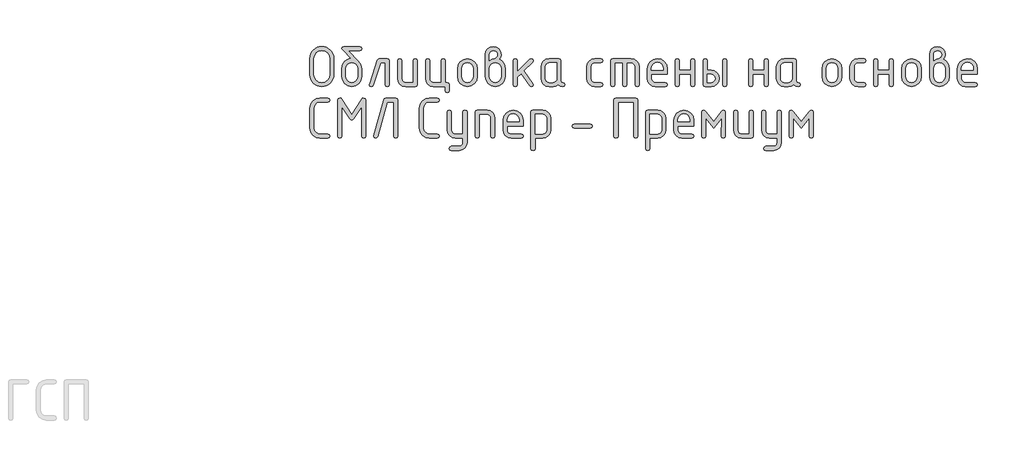
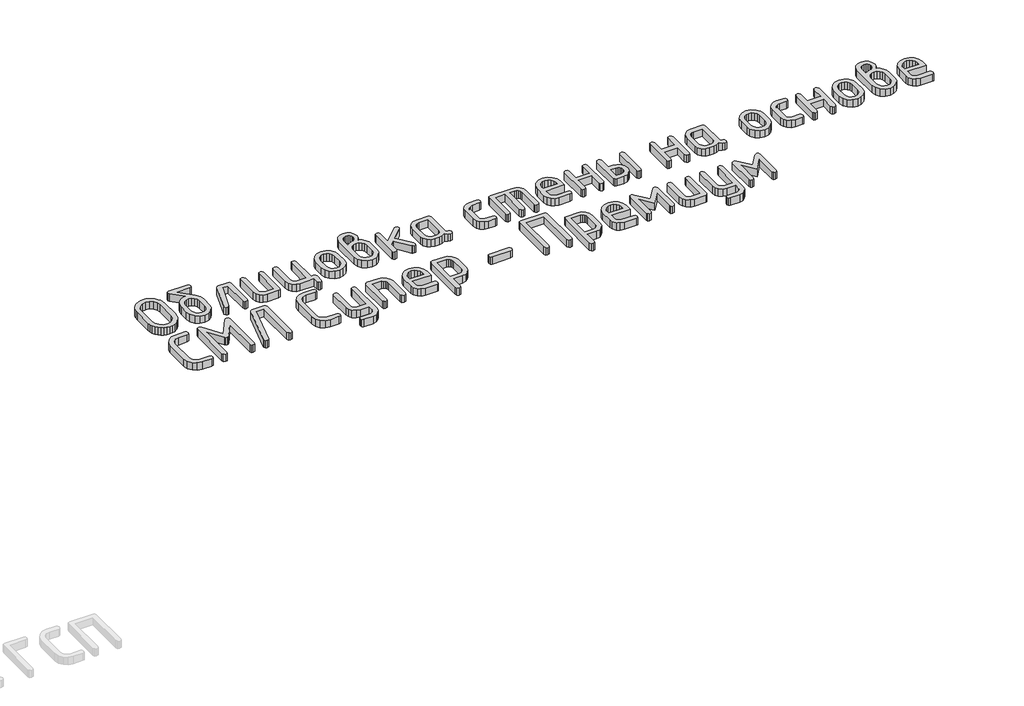
# One storey, part 23 of 33: 1 proxy.
"""IFC4 building model written with IfcOpenShell, lengths in millimetres."""

from ifc_helpers import new_model, si_unit, origin, origin_with_axes, place, context, project, spatial, polyline, outline, extrude, element, save

model = new_model("IFC4")

# Units and contexts
model_context = context("Model", 3, world=origin())
ifc_project = project(units=[si_unit("LENGTHUNIT", "METRE", prefix="MILLI")], contexts=[model_context])

# Site, building, storey
site = spatial("IfcSite", under=ifc_project)
building = spatial("IfcBuilding", under=site)
storey = spatial("IfcBuildingStorey", under=building, Elevation=0.0)

# Proxy
placement = place(None, origin())
element("IfcBuildingElementProxy", 1, Name="Generic Models", at=placement, inside=storey, context=model_context, shape_type="SweptSolid", body=[
    extrude(outline(polyline([(459.1427691, 5302.2857956), (457.4883732, 5284.0521341), (452.5251857, 5267.2004984), (444.2532065, 5251.7308885), (432.6724356, 5237.6433044), (418.7512999, 5225.9213046), (403.4582261, 5217.5484476), (386.7932143, 5212.5247334), (368.7562645, 5210.850162), (350.7193147, 5212.5247334), (334.054303, 5217.5484476), (318.7612292, 5225.9213046), (304.8400935, 5237.6433044), (293.2593226, 5251.7308885), (284.9873434, 5267.2004984), (280.0241558, 5284.0521341), (278.36976, 5302.2857956), (278.36976, 5424.1461722), (280.0241558, 5442.3798337), (284.9873434, 5459.2314694), (293.2593226, 5474.7010793), (304.8400935, 5488.7886634), (318.7612292, 5500.5106632), (334.054303, 5508.8835203), (350.7193147, 5513.9072345), (368.7562645, 5515.5818059), (386.8915702, 5513.9148003), (403.6095428, 5508.9137836), (418.9101824, 5500.5787558), (432.793489, 5488.9097168), (444.321299, 5474.8599619), (452.555449, 5459.3827861), (457.4959391, 5442.4781896), (459.1427691, 5424.1461722), (459.1427691, 5302.2857956)]), holes=[polyline([(428.1531104, 5302.5279023), (428.1531104, 5423.9040655), (423.8456285, 5447.4287674), (410.923183, 5466.9990597), (391.7664896, 5480.1938753), (368.7562645, 5484.5921472), (345.7460394, 5480.1938753), (326.5893461, 5466.9990597), (313.6669006, 5447.4287674), (309.3594187, 5423.9040655), (309.3594187, 5302.5279023), (313.6669006, 5279.0032004), (326.5893461, 5259.4329082), (345.7460394, 5246.2380926), (368.7562645, 5241.8398207), (391.7664896, 5246.2380926), (410.923183, 5259.4329082), (423.8456285, 5279.0032004), (428.1531104, 5302.5279023)])]), origin_with_axes(), (0.0, 0.0, 1.0), 50.0),
    extrude(outline(polyline([(670.9054369, 5347.7211546), (670.9054369, 5286.8716685), (665.4277726, 5257.6473712), (648.9947797, 5233.0836281), (624.7941966, 5216.4085285), (596.0137617, 5210.850162), (567.2333267, 5216.4186163), (543.0327436, 5233.1239792), (526.5997508, 5257.7381612), (521.1220865, 5287.033073), (521.1220865, 5347.9632613), (523.7146458, 5369.3947489), (531.4923238, 5387.7696393), (544.4551205, 5403.0879325), (562.6030359, 5415.3496285), (578.3197964, 5421.9470363), (592.8663745, 5424.1461722), (526.2870296, 5491.1290283), (521.1220865, 5500.0869765), (524.8545649, 5511.7080985), (536.0520002, 5515.5818059), (655.9755232, 5515.5818059), (667.1729584, 5511.7080985), (670.9054369, 5500.0869765), (667.1729584, 5488.4658545), (655.9755232, 5484.5921472), (570.9960684, 5484.5921472), (646.3719571, 5404.2127199), (664.7720669, 5376.9353641), (670.9054369, 5347.7211546)]), holes=[polyline([(639.9157782, 5287.3558819), (639.9157782, 5347.9632613), (636.6977765, 5365.3949443), (627.0437715, 5380.0827513), (612.8502657, 5390.069653), (596.0137617, 5393.3986203), (579.1772576, 5390.069653), (564.9837518, 5380.0827513), (555.3297468, 5365.3949443), (552.1117452, 5347.9632613), (552.1117452, 5287.3558819), (555.2994835, 5269.7627944), (564.8626985, 5255.0749874), (579.0259409, 5245.1486124), (596.0137617, 5241.8398207), (612.8502657, 5245.1687879), (627.0437715, 5255.1556897), (636.6977765, 5269.8636722), (639.9157782, 5287.3558819)])]), origin_with_axes(), (0.0, 0.0, 1.0), 50.0),
    extrude(outline(polyline([(806.243087, 5422.6128298), (867.1732753, 5422.6128298), (878.7943973, 5418.8400002), (882.6681046, 5407.5215116), (882.6681046, 5225.9414802), (878.7943973, 5214.6229915), (867.1732753, 5210.850162), (855.5521533, 5214.6229915), (851.6784459, 5225.9414802), (851.6784459, 5391.6231711), (817.0571866, 5391.6231711), (759.9200034, 5221.099346), (754.6138313, 5213.412458), (745.6357076, 5210.850162), (734.2566923, 5214.6835182), (730.4636872, 5226.1835869), (731.1900073, 5230.7836143), (791.0710665, 5410.2653876), (796.9623298, 5419.5259692), (806.243087, 5422.6128298)])), origin_with_axes(), (0.0, 0.0, 1.0), 50.0),
    extrude(outline(polyline([(1094.4307724, 5407.5215116), (1094.4307724, 5225.9414802), (1090.6781184, 5214.6229915), (1079.4201565, 5210.850162), (1004.5284813, 5210.850162), (981.3064128, 5215.2282583), (961.9984028, 5228.3625472), (948.9851672, 5247.8723128), (944.647422, 5271.3768391), (944.647422, 5407.5215116), (948.5211294, 5418.8400002), (960.1422514, 5422.6128298), (971.7633734, 5418.8400002), (975.6370807, 5407.5215116), (975.6370807, 5271.9417548), (977.7958655, 5260.5123006), (984.27222, 5250.7574178), (993.7547328, 5244.06922), (1004.9319925, 5241.8398207), (1063.4411137, 5241.8398207), (1063.4411137, 5407.5215116), (1067.314821, 5418.8400002), (1078.9359431, 5422.6128298), (1090.5570651, 5418.8400002), (1094.4307724, 5407.5215116)])), origin_with_axes(), (0.0, 0.0, 1.0), 50.0),
    extrude(outline(polyline([(1321.6882695, 5241.8398207), (1333.3093915, 5237.9661133), (1337.1830989, 5226.3449913), (1337.1830989, 5179.8605033), (1333.3093915, 5168.2393813), (1321.6882695, 5164.3656739), (1310.0671475, 5168.2393813), (1306.1934402, 5179.8605033), (1306.1934402, 5210.850162), (1216.2911491, 5210.850162), (1193.0690806, 5215.2585216), (1173.7610706, 5228.4836006), (1160.747835, 5248.0236295), (1156.4100898, 5271.3768391), (1156.4100898, 5407.5215116), (1160.2837971, 5418.8400002), (1171.9049192, 5422.6128298), (1183.5260412, 5418.8400002), (1187.3997485, 5407.5215116), (1187.3997485, 5271.9417548), (1189.5585333, 5260.5123006), (1196.0348878, 5250.7574178), (1205.5174005, 5244.06922), (1216.6946602, 5241.8398207), (1275.2037815, 5241.8398207), (1275.2037815, 5407.5215116), (1279.0774888, 5418.8400002), (1290.6986108, 5422.6128298), (1302.3197328, 5418.8400002), (1306.1934402, 5407.5215116), (1306.1934402, 5241.8398207), (1321.6882695, 5241.8398207)])), origin_with_axes(), (0.0, 0.0, 1.0), 50.0),
    extrude(outline(polyline([(1399.1624163, 5286.4681573), (1399.1624163, 5346.9948344), (1404.6400806, 5376.067815), (1421.0730734, 5400.500417), (1445.2736565, 5417.0847266), (1474.0540915, 5422.6128298), (1503.1371598, 5417.1452533), (1527.2772162, 5400.7425237), (1543.5286291, 5376.3704484), (1548.9457667, 5346.9948344), (1548.9457667, 5286.4681573), (1543.4681024, 5257.3951767), (1527.0351095, 5232.9625747), (1502.8345265, 5216.3782652), (1474.0540915, 5210.850162), (1445.2736565, 5216.3782652), (1421.0730734, 5232.9625747), (1404.6400806, 5257.3951767), (1399.1624163, 5286.4681573)]), holes=[polyline([(1517.956108, 5287.3558819), (1517.956108, 5347.9632613), (1514.7381063, 5365.3949443), (1505.0841013, 5380.0827513), (1490.8905955, 5390.069653), (1474.0540915, 5393.3986203), (1457.2175874, 5390.069653), (1443.0240817, 5380.0827513), (1433.3700766, 5365.3949443), (1430.152075, 5347.9632613), (1430.152075, 5287.3558819), (1433.3398133, 5269.7627944), (1442.9030283, 5255.0749874), (1457.0662708, 5245.1486124), (1474.0540915, 5241.8398207), (1490.8905955, 5245.1687879), (1505.0841013, 5255.1556897), (1514.7381063, 5269.8636722), (1517.956108, 5287.3558819)])]), origin_with_axes(), (0.0, 0.0, 1.0), 50.0),
    extrude(outline(polyline([(1715.7572889, 5417.9321001), (1734.2885399, 5406.542997), (1748.5627479, 5389.9687752), (1757.6720128, 5369.8840062), (1760.7084344, 5347.9632613), (1760.7084344, 5287.033073), (1755.2307702, 5257.5868445), (1738.7977773, 5233.0029258), (1714.5971942, 5216.3883529), (1685.8167592, 5210.850162), (1656.8850076, 5216.4186163), (1632.7146878, 5233.1239792), (1616.372485, 5257.7381612), (1610.9250841, 5287.033073), (1610.9250841, 5454.6516175), (1615.2527415, 5478.2570216), (1628.2357137, 5497.9080161), (1647.4125826, 5511.1633584), (1670.3219299, 5515.5818059), (1693.332155, 5511.1330951), (1712.4888483, 5497.7869628), (1725.4112939, 5478.1057049), (1729.7187757, 5454.6516175), (1726.228404, 5433.9313184), (1715.7572889, 5417.9321001)]), holes=[polyline([(1729.7187757, 5287.3558819), (1729.7187757, 5347.9632613), (1726.5310374, 5365.3949443), (1716.9678224, 5380.0827513), (1702.80458, 5390.069653), (1685.8167592, 5393.3986203), (1668.8289385, 5390.069653), (1654.6656961, 5380.0827513), (1645.1024811, 5365.3949443), (1641.9147428, 5347.9632613), (1641.9147428, 5287.3558819), (1645.1024811, 5269.7627944), (1654.6656961, 5255.0749874), (1668.8289385, 5245.1486124), (1685.8167592, 5241.8398207), (1702.80458, 5245.1687879), (1716.9678224, 5255.1556897), (1726.5310374, 5269.8636722), (1729.7187757, 5287.3558819)]), polyline([(1641.9147428, 5407.8443205), (1660.3955548, 5419.1628092), (1677.2623222, 5422.9356387), (1686.3413238, 5425.5786369), (1694.6940052, 5433.5076316), (1700.5650929, 5443.37348), (1702.5221221, 5453.2796795), (1700.3431618, 5465.0823816), (1693.8062806, 5474.8271766), (1684.04131, 5481.3640577), (1672.1780813, 5483.5430181), (1660.526696, 5481.3337944), (1650.7516376, 5474.7061232), (1644.1239665, 5464.9310649), (1641.9147428, 5453.2796795), (1641.9147428, 5407.8443205)])]), origin_with_axes(), (0.0, 0.0, 1.0), 50.0),
    extrude(outline(polyline([(1853.6774105, 5323.1876748), (1948.9060492, 5418.254909), (1959.7201489, 5422.6128298), (1971.0991642, 5418.8400002), (1974.8921693, 5407.5215116), (1970.2921418, 5396.9495186), (1903.712797, 5330.450876), (1971.9061866, 5234.6573217), (1974.8921693, 5225.7800757), (1971.0991642, 5214.5826404), (1959.7201489, 5210.850162), (1952.578001, 5212.4642067), (1947.1306, 5217.3063409), (1881.9231932, 5308.903379), (1853.6774105, 5280.6575963), (1853.6774105, 5226.0221824), (1849.8037032, 5214.6431671), (1838.1825812, 5210.850162), (1826.5614592, 5214.6229915), (1822.6877518, 5225.9414802), (1822.6877518, 5407.5215116), (1826.5614592, 5418.8400002), (1838.1825812, 5422.6128298), (1849.8037032, 5418.8400002), (1853.6774105, 5407.5215116), (1853.6774105, 5323.1876748)])), origin_with_axes(), (0.0, 0.0, 1.0), 50.0),
    extrude(outline(polyline([(2214.4971086, 5225.9414802), (2210.724279, 5214.6229915), (2199.4057904, 5210.850162), (2180.2591849, 5214.8650982), (2164.9459355, 5226.909907), (2146.5256501, 5214.8650982), (2124.3527107, 5210.850162), (2094.3314789, 5210.850162), (2071.1094104, 5215.2282583), (2051.8014004, 5228.3625472), (2038.7881648, 5247.8723128), (2034.4504196, 5271.3768391), (2034.4504196, 5362.0861526), (2038.7881648, 5385.5906789), (2051.8014004, 5405.1004445), (2071.1094104, 5418.2347334), (2094.3314789, 5422.6128298), (2169.2231541, 5422.6128298), (2180.481116, 5418.8400002), (2184.23377, 5407.5215116), (2184.23377, 5256.2048187), (2188.0166873, 5244.8863301), (2199.3654393, 5241.1135006), (2210.7141912, 5237.3204955), (2214.4971086, 5225.9414802)]), holes=[polyline([(2153.2441113, 5391.6231711), (2094.73499, 5391.6231711), (2083.4568525, 5389.4341229), (2073.9945153, 5382.8669784), (2067.5786876, 5373.1927979), (2065.4400783, 5361.6826414), (2065.4400783, 5271.7803503), (2067.5988631, 5260.3710717), (2074.0752176, 5250.6767155), (2083.5577303, 5244.0490444), (2094.73499, 5241.8398207), (2123.9491996, 5241.8398207), (2135.2273371, 5244.0288688), (2144.6896743, 5250.5960133), (2151.105502, 5260.2701939), (2153.2441113, 5271.7803503), (2153.2441113, 5391.6231711)])]), origin_with_axes(), (0.0, 0.0, 1.0), 50.0),
    extrude(outline(polyline([(2411.4912671, 5361.6826414), (2411.4912671, 5271.7803503), (2413.7307542, 5260.3710717), (2420.4492153, 5250.6767155), (2430.254537, 5244.0490444), (2441.7546057, 5241.8398207), (2487.2706669, 5241.8398207), (2498.5891555, 5237.9661133), (2502.3619851, 5226.3449913), (2498.5891555, 5214.7238693), (2487.2706669, 5210.850162), (2441.7546057, 5210.850162), (2418.2097283, 5215.2282583), (2398.4175049, 5228.3625472), (2384.9805825, 5247.8723128), (2380.5016084, 5271.3768391), (2380.5016084, 5362.0861526), (2384.9805825, 5385.5906789), (2398.4175049, 5405.1004445), (2418.2097283, 5418.2347334), (2441.7546057, 5422.6128298), (2487.2706669, 5422.6128298), (2498.5891555, 5418.7391224), (2502.3619851, 5407.1180004), (2498.5891555, 5395.4968784), (2487.2706669, 5391.6231711), (2441.7546057, 5391.6231711), (2430.1032203, 5389.4341229), (2420.328162, 5382.8669784), (2413.7004908, 5373.1927979), (2411.4912671, 5361.6826414)])), origin_with_axes(), (0.0, 0.0, 1.0), 50.0),
    extrude(outline(polyline([(2576.7694468, 5422.6128298), (2716.222911, 5422.6128298), (2740.1107729, 5418.2044701), (2760.1249275, 5404.9793911), (2773.6829032, 5385.4393622), (2778.2022284, 5362.0861526), (2778.2022284, 5225.9414802), (2774.328521, 5214.6229915), (2762.707399, 5210.850162), (2751.086277, 5214.6229915), (2747.2125697, 5225.9414802), (2747.2125697, 5361.521237), (2744.9831704, 5373.2533245), (2738.2949726, 5382.9476807), (2728.3181586, 5389.4542985), (2716.222911, 5391.6231711), (2685.2332523, 5391.6231711), (2685.2332523, 5225.9414802), (2681.359545, 5214.6229915), (2669.7384229, 5210.850162), (2658.1173009, 5214.6229915), (2654.2435936, 5225.9414802), (2654.2435936, 5391.6231711), (2592.2642762, 5391.6231711), (2592.2642762, 5225.9414802), (2588.3905689, 5214.6229915), (2576.7694468, 5210.850162), (2565.1483248, 5214.6229915), (2561.2746175, 5225.9414802), (2561.2746175, 5407.5215116), (2565.1483248, 5418.8400002), (2576.7694468, 5422.6128298)])), origin_with_axes(), (0.0, 0.0, 1.0), 50.0),
    extrude(outline(polyline([(2871.1712045, 5303.8191381), (2871.1712045, 5272.8294794), (2873.4106915, 5261.0368651), (2880.1291527, 5250.9995245), (2889.9344744, 5244.1297466), (2901.4345431, 5241.8398207), (2977.2139428, 5241.8398207), (2988.5929581, 5237.9661133), (2992.3859632, 5226.3449913), (2988.5929581, 5214.7238693), (2977.2139428, 5210.850162), (2901.4345431, 5210.850162), (2877.8896656, 5215.2282583), (2858.0974422, 5228.3625472), (2844.6605199, 5247.8723128), (2840.1815458, 5271.3768391), (2840.1815458, 5346.9948344), (2845.800439, 5376.067815), (2862.6571186, 5400.500417), (2887.3822662, 5417.0847266), (2916.6065635, 5422.6128298), (2946.0527919, 5417.2461311), (2970.4753061, 5401.1460349), (2986.908299, 5377.2178219), (2992.3859632, 5348.3667725), (2992.3859632, 5303.8191381), (2871.1712045, 5303.8191381)]), holes=[polyline([(2916.6065635, 5395.4161762), (2899.1748804, 5392.0872089), (2884.4870735, 5382.1003072), (2874.5001717, 5367.4125002), (2871.1712045, 5349.9808172), (2871.1712045, 5334.8087968), (2962.0419224, 5334.8087968), (2962.0419224, 5349.9808172), (2958.7129552, 5367.4125002), (2948.7260535, 5382.1003072), (2934.0382465, 5392.0872089), (2916.6065635, 5395.4161762)])]), origin_with_axes(), (0.0, 0.0, 1.0), 50.0),
    extrude(outline(polyline([(3082.9338723, 5303.8191381), (3082.9338723, 5226.3449913), (3079.0601649, 5214.7238693), (3067.4390429, 5210.850162), (3055.8179209, 5214.6229915), (3051.9442136, 5225.9414802), (3051.9442136, 5407.5215116), (3055.8179209, 5418.8400002), (3067.4390429, 5422.6128298), (3079.0601649, 5418.9610536), (3082.9338723, 5408.005725), (3082.9338723, 5334.8087968), (3170.7379052, 5334.8087968), (3170.7379052, 5408.005725), (3174.6116126, 5418.9610536), (3186.2327346, 5422.6128298), (3197.8538566, 5418.8400002), (3201.7275639, 5407.5215116), (3201.7275639, 5225.9414802), (3197.8538566, 5214.6229915), (3186.2327346, 5210.850162), (3174.6116126, 5214.7238693), (3170.7379052, 5226.3449913), (3170.7379052, 5303.8191381), (3082.9338723, 5303.8191381)])), origin_with_axes(), (0.0, 0.0, 1.0), 50.0),
    extrude(outline(polyline([(3413.4902317, 5407.5215116), (3417.3639391, 5418.8400002), (3428.9850611, 5422.6128298), (3440.6061831, 5418.8400002), (3444.4798904, 5407.5215116), (3444.4798904, 5225.9414802), (3440.6061831, 5214.6229915), (3428.9850611, 5210.850162), (3417.3639391, 5214.6229915), (3413.4902317, 5225.9414802), (3413.4902317, 5407.5215116)])), origin_with_axes(), (0.0, 0.0, 1.0), 50.0),
    extrude(outline(polyline([(3385.567258, 5272.8294794), (3381.1790739, 5248.7903008), (3368.0145216, 5228.8064095), (3348.4744927, 5215.3392239), (3324.9598786, 5210.850162), (3279.2017107, 5210.850162), (3267.5805887, 5214.6229915), (3263.7068813, 5225.9414802), (3263.7068813, 5407.5215116), (3267.5805887, 5418.8400002), (3279.2017107, 5422.6128298), (3290.8228327, 5418.9610536), (3294.69654, 5408.005725), (3294.69654, 5334.8087968), (3324.9598786, 5334.8087968), (3348.4744927, 5330.3197349), (3368.0145216, 5316.8525492), (3381.1790739, 5296.868658), (3385.567258, 5272.8294794)]), holes=[polyline([(3355.3039194, 5272.8294794), (3353.124959, 5284.924727), (3346.5880779, 5294.901541), (3336.8231073, 5301.5897388), (3324.9598786, 5303.8191381), (3294.69654, 5303.8191381), (3294.69654, 5241.8398207), (3324.9598786, 5241.8398207), (3336.6717906, 5244.0994833), (3346.4670246, 5250.8784711), (3353.0946957, 5260.8855484), (3355.3039194, 5272.8294794)])]), origin_with_axes(), (0.0, 0.0, 1.0), 50.0),
    extrude(outline(polyline([(3640.7477288, 5303.8191381), (3640.7477288, 5226.3449913), (3636.8740215, 5214.7238693), (3625.2528995, 5210.850162), (3613.6317775, 5214.6229915), (3609.7580701, 5225.9414802), (3609.7580701, 5407.5215116), (3613.6317775, 5418.8400002), (3625.2528995, 5422.6128298), (3636.8740215, 5418.9610536), (3640.7477288, 5408.005725), (3640.7477288, 5334.8087968), (3728.5517618, 5334.8087968), (3728.5517618, 5408.005725), (3732.4254692, 5418.9610536), (3744.0465912, 5422.6128298), (3755.6677132, 5418.8400002), (3759.5414205, 5407.5215116), (3759.5414205, 5225.9414802), (3755.6677132, 5214.6229915), (3744.0465912, 5210.850162), (3732.4254692, 5214.7238693), (3728.5517618, 5226.3449913), (3728.5517618, 5303.8191381), (3640.7477288, 5303.8191381)])), origin_with_axes(), (0.0, 0.0, 1.0), 50.0),
    extrude(outline(polyline([(4001.5674269, 5225.9414802), (3997.7945973, 5214.6229915), (3986.4761087, 5210.850162), (3967.3295032, 5214.8650982), (3952.0162538, 5226.909907), (3933.5959684, 5214.8650982), (3911.423029, 5210.850162), (3881.4017972, 5210.850162), (3858.1797287, 5215.2282583), (3838.8717187, 5228.3625472), (3825.8584831, 5247.8723128), (3821.5207379, 5271.3768391), (3821.5207379, 5362.0861526), (3825.8584831, 5385.5906789), (3838.8717187, 5405.1004445), (3858.1797287, 5418.2347334), (3881.4017972, 5422.6128298), (3956.2934724, 5422.6128298), (3967.5514343, 5418.8400002), (3971.3040883, 5407.5215116), (3971.3040883, 5256.2048187), (3975.0870056, 5244.8863301), (3986.4357576, 5241.1135006), (3997.7845095, 5237.3204955), (4001.5674269, 5225.9414802)]), holes=[polyline([(3940.3144296, 5391.6231711), (3881.8053084, 5391.6231711), (3870.5271708, 5389.4341229), (3861.0648337, 5382.8669784), (3854.6490059, 5373.1927979), (3852.5103966, 5361.6826414), (3852.5103966, 5271.7803503), (3854.6691814, 5260.3710717), (3861.1455359, 5250.6767155), (3870.6280486, 5244.0490444), (3881.8053084, 5241.8398207), (3911.0195179, 5241.8398207), (3922.2976554, 5244.0288688), (3931.7599926, 5250.5960133), (3938.1758203, 5260.2701939), (3940.3144296, 5271.7803503), (3940.3144296, 5391.6231711)])]), origin_with_axes(), (0.0, 0.0, 1.0), 50.0),
    extrude(outline(polyline([(4167.5719267, 5286.4681573), (4167.5719267, 5346.9948344), (4173.049591, 5376.067815), (4189.4825839, 5400.500417), (4213.6831669, 5417.0847266), (4242.4636019, 5422.6128298), (4271.5466703, 5417.1452533), (4295.6867267, 5400.7425237), (4311.9381395, 5376.3704484), (4317.3552771, 5346.9948344), (4317.3552771, 5286.4681573), (4311.8776128, 5257.3951767), (4295.44462, 5232.9625747), (4271.2440369, 5216.3782652), (4242.4636019, 5210.850162), (4213.6831669, 5216.3782652), (4189.4825839, 5232.9625747), (4173.049591, 5257.3951767), (4167.5719267, 5286.4681573)]), holes=[polyline([(4286.3656184, 5287.3558819), (4286.3656184, 5347.9632613), (4283.1476167, 5365.3949443), (4273.4936117, 5380.0827513), (4259.3001059, 5390.069653), (4242.4636019, 5393.3986203), (4225.6270979, 5390.069653), (4211.4335921, 5380.0827513), (4201.7795871, 5365.3949443), (4198.5615854, 5347.9632613), (4198.5615854, 5287.3558819), (4201.7493238, 5269.7627944), (4211.3125387, 5255.0749874), (4225.4757812, 5245.1486124), (4242.4636019, 5241.8398207), (4259.3001059, 5245.1687879), (4273.4936117, 5255.1556897), (4283.1476167, 5269.8636722), (4286.3656184, 5287.3558819)])]), origin_with_axes(), (0.0, 0.0, 1.0), 50.0),
    extrude(outline(polyline([(4410.3242532, 5361.6826414), (4410.3242532, 5271.7803503), (4412.5637403, 5260.3710717), (4419.2822014, 5250.6767155), (4429.0875231, 5244.0490444), (4440.5875918, 5241.8398207), (4486.103653, 5241.8398207), (4497.4221416, 5237.9661133), (4501.1949712, 5226.3449913), (4497.4221416, 5214.7238693), (4486.103653, 5210.850162), (4440.5875918, 5210.850162), (4417.0427144, 5215.2282583), (4397.2504909, 5228.3625472), (4383.8135686, 5247.8723128), (4379.3345945, 5271.3768391), (4379.3345945, 5362.0861526), (4383.8135686, 5385.5906789), (4397.2504909, 5405.1004445), (4417.0427144, 5418.2347334), (4440.5875918, 5422.6128298), (4486.103653, 5422.6128298), (4497.4221416, 5418.7391224), (4501.1949712, 5407.1180004), (4497.4221416, 5395.4968784), (4486.103653, 5391.6231711), (4440.5875918, 5391.6231711), (4428.9362064, 5389.4341229), (4419.1611481, 5382.8669784), (4412.5334769, 5373.1927979), (4410.3242532, 5361.6826414)])), origin_with_axes(), (0.0, 0.0, 1.0), 50.0),
    extrude(outline(polyline([(4591.0972623, 5303.8191381), (4591.0972623, 5226.3449913), (4587.2235549, 5214.7238693), (4575.6024329, 5210.850162), (4563.9813109, 5214.6229915), (4560.1076036, 5225.9414802), (4560.1076036, 5407.5215116), (4563.9813109, 5418.8400002), (4575.6024329, 5422.6128298), (4587.2235549, 5418.9610536), (4591.0972623, 5408.005725), (4591.0972623, 5334.8087968), (4678.9012953, 5334.8087968), (4678.9012953, 5408.005725), (4682.7750026, 5418.9610536), (4694.3961246, 5422.6128298), (4706.0172466, 5418.8400002), (4709.890954, 5407.5215116), (4709.890954, 5225.9414802), (4706.0172466, 5214.6229915), (4694.3961246, 5210.850162), (4682.7750026, 5214.7238693), (4678.9012953, 5226.3449913), (4678.9012953, 5303.8191381), (4591.0972623, 5303.8191381)])), origin_with_axes(), (0.0, 0.0, 1.0), 50.0),
    extrude(outline(polyline([(4771.8702714, 5286.4681573), (4771.8702714, 5346.9948344), (4777.3479356, 5376.067815), (4793.7809285, 5400.500417), (4817.9815116, 5417.0847266), (4846.7619465, 5422.6128298), (4875.8450149, 5417.1452533), (4899.9850713, 5400.7425237), (4916.2364841, 5376.3704484), (4921.6536217, 5346.9948344), (4921.6536217, 5286.4681573), (4916.1759575, 5257.3951767), (4899.7429646, 5232.9625747), (4875.5423815, 5216.3782652), (4846.7619465, 5210.850162), (4817.9815116, 5216.3782652), (4793.7809285, 5232.9625747), (4777.3479356, 5257.3951767), (4771.8702714, 5286.4681573)]), holes=[polyline([(4890.663963, 5287.3558819), (4890.663963, 5347.9632613), (4887.4459614, 5365.3949443), (4877.7919564, 5380.0827513), (4863.5984506, 5390.069653), (4846.7619465, 5393.3986203), (4829.9254425, 5390.069653), (4815.7319367, 5380.0827513), (4806.0779317, 5365.3949443), (4802.8599301, 5347.9632613), (4802.8599301, 5287.3558819), (4806.0476684, 5269.7627944), (4815.6108834, 5255.0749874), (4829.7741258, 5245.1486124), (4846.7619465, 5241.8398207), (4863.5984506, 5245.1687879), (4877.7919564, 5255.1556897), (4887.4459614, 5269.8636722), (4890.663963, 5287.3558819)])]), origin_with_axes(), (0.0, 0.0, 1.0), 50.0),
    extrude(outline(polyline([(5088.4651439, 5417.9321001), (5106.9963949, 5406.542997), (5121.270603, 5389.9687752), (5130.3798679, 5369.8840062), (5133.4162895, 5347.9632613), (5133.4162895, 5287.033073), (5127.9386252, 5257.5868445), (5111.5056324, 5233.0029258), (5087.3050493, 5216.3883529), (5058.5246143, 5210.850162), (5029.5928626, 5216.4186163), (5005.4225429, 5233.1239792), (4989.0803401, 5257.7381612), (4983.6329391, 5287.033073), (4983.6329391, 5454.6516175), (4987.9605965, 5478.2570216), (5000.9435688, 5497.9080161), (5020.1204377, 5511.1633584), (5043.029785, 5515.5818059), (5066.0400101, 5511.1330951), (5085.1967034, 5497.7869628), (5098.119149, 5478.1057049), (5102.4266308, 5454.6516175), (5098.9362591, 5433.9313184), (5088.4651439, 5417.9321001)]), holes=[polyline([(5014.6225978, 5407.8443205), (5033.1034099, 5419.1628092), (5049.9701773, 5422.9356387), (5059.0491789, 5425.5786369), (5067.4018603, 5433.5076316), (5073.272948, 5443.37348), (5075.2299772, 5453.2796795), (5073.0510168, 5465.0823816), (5066.5141357, 5474.8271766), (5056.7491651, 5481.3640577), (5044.8859364, 5483.5430181), (5033.2345511, 5481.3337944), (5023.4594927, 5474.7061232), (5016.8318215, 5464.9310649), (5014.6225978, 5453.2796795), (5014.6225978, 5407.8443205)]), polyline([(5102.4266308, 5287.3558819), (5102.4266308, 5347.9632613), (5099.2388925, 5365.3949443), (5089.6756775, 5380.0827513), (5075.512435, 5390.069653), (5058.5246143, 5393.3986203), (5041.5367936, 5390.069653), (5027.3735511, 5380.0827513), (5017.8103362, 5365.3949443), (5014.6225978, 5347.9632613), (5014.6225978, 5287.3558819), (5017.8103362, 5269.7627944), (5027.3735511, 5255.0749874), (5041.5367936, 5245.1486124), (5058.5246143, 5241.8398207), (5075.512435, 5245.1687879), (5089.6756775, 5255.1556897), (5099.2388925, 5269.8636722), (5102.4266308, 5287.3558819)])]), origin_with_axes(), (0.0, 0.0, 1.0), 50.0),
    extrude(outline(polyline([(5226.3852656, 5303.8191381), (5226.3852656, 5272.8294794), (5228.6247527, 5261.0368651), (5235.3432138, 5250.9995245), (5245.1485355, 5244.1297466), (5256.6486042, 5241.8398207), (5332.428004, 5241.8398207), (5343.8070193, 5237.9661133), (5347.6000244, 5226.3449913), (5343.8070193, 5214.7238693), (5332.428004, 5210.850162), (5256.6486042, 5210.850162), (5233.1037268, 5215.2282583), (5213.3115033, 5228.3625472), (5199.874581, 5247.8723128), (5195.3956069, 5271.3768391), (5195.3956069, 5346.9948344), (5201.0145001, 5376.067815), (5217.8711797, 5400.500417), (5242.5963273, 5417.0847266), (5271.8206246, 5422.6128298), (5301.266853, 5417.2461311), (5325.6893672, 5401.1460349), (5342.1223601, 5377.2178219), (5347.6000244, 5348.3667725), (5347.6000244, 5303.8191381), (5226.3852656, 5303.8191381)]), holes=[polyline([(5271.8206246, 5395.4161762), (5254.3889416, 5392.0872089), (5239.7011346, 5382.1003072), (5229.7142328, 5367.4125002), (5226.3852656, 5349.9808172), (5226.3852656, 5334.8087968), (5317.2559836, 5334.8087968), (5317.2559836, 5349.9808172), (5313.9270163, 5367.4125002), (5303.9401146, 5382.1003072), (5289.2523076, 5392.0872089), (5271.8206246, 5395.4161762)])]), origin_with_axes(), (0.0, 0.0, 1.0), 50.0),
    extrude(outline(polyline([(415.4021571, 5123.5333147), (426.7811724, 5119.6596073), (430.5741775, 5108.0384853), (426.7811724, 5096.4173633), (415.4021571, 5092.543656), (354.7947777, 5092.543656), (331.9156937, 5086.914675), (315.5734909, 5070.0277321), (310.9129367, 5058.9917013), (309.3594187, 5047.0275948), (309.3594187, 4895.3073907), (312.6883859, 4877.815181), (322.6752877, 4863.1071985), (337.3630947, 4853.1202967), (354.7947777, 4849.7913295), (415.4021571, 4849.7913295), (426.7811724, 4845.9176222), (430.5741775, 4834.2965001), (426.7811724, 4822.6753781), (415.4021571, 4818.8016708), (354.7947777, 4818.8016708), (325.5704804, 4824.3701251), (300.8453328, 4841.075488), (283.9886532, 4865.68967), (278.36976, 4894.9845818), (278.36976, 5047.3504037), (283.9886532, 5076.6453154), (300.8453328, 5101.2594975), (325.5704804, 5117.9648604), (354.7947777, 5123.5333147), (415.4021571, 5123.5333147)])), origin_with_axes(), (0.0, 0.0, 1.0), 50.0),
    extrude(outline(polyline([(685.1090304, 5123.5333147), (697.6985793, 5119.720134), (701.8950956, 5108.280592), (701.8950956, 4834.0543934), (698.0213882, 4822.6148515), (686.4002662, 4818.8016708), (674.7791442, 4822.6148515), (670.9054369, 4834.0543934), (670.9054369, 5058.1645034), (609.8945463, 4965.5990384), (603.3576652, 4958.7595239), (596.0137617, 4956.4796857), (588.5488048, 4958.7595239), (581.9715726, 4965.5990384), (521.1220865, 5058.1645034), (521.1220865, 4834.0543934), (517.2483791, 4822.6148515), (505.6272571, 4818.8016708), (494.0061351, 4822.6148515), (490.1324278, 4834.0543934), (490.1324278, 5108.280592), (494.2482418, 5119.720134), (506.595684, 5123.5333147), (514.7466098, 5121.6368121), (521.1220865, 5115.9473045), (595.771655, 4998.8483597), (670.9054369, 5116.8350291), (676.8774023, 5121.8587433), (685.1090304, 5123.5333147)])), origin_with_axes(), (0.0, 0.0, 1.0), 50.0),
    extrude(outline(polyline([(852.5661705, 5123.5333147), (929.1525927, 5123.5333147), (940.7737147, 5119.720134), (944.647422, 5108.280592), (944.647422, 4834.0543934), (940.7737147, 4822.6148515), (929.1525927, 4818.8016708), (917.5314707, 4822.5946759), (913.6577633, 4833.9736912), (913.6577633, 5092.543656), (864.5101015, 5092.543656), (791.7166844, 4829.3736637), (786.612268, 4821.444669), (777.2709842, 4818.8016708), (765.8919689, 4822.6148515), (762.0989638, 4834.0543934), (763.3094973, 4839.5421455), (837.3941501, 5108.280592), (843.2854134, 5119.720134), (852.5661705, 5123.5333147)])), origin_with_axes(), (0.0, 0.0, 1.0), 50.0),
    extrude(outline(polyline([(1246.9579988, 5123.5333147), (1258.3370141, 5119.6596073), (1262.1300192, 5108.0384853), (1258.3370141, 5096.4173633), (1246.9579988, 5092.543656), (1186.3506194, 5092.543656), (1163.4715355, 5086.914675), (1147.1293326, 5070.0277321), (1142.4687785, 5058.9917013), (1140.9152605, 5047.0275948), (1140.9152605, 4895.3073907), (1144.2442277, 4877.815181), (1154.2311294, 4863.1071985), (1168.9189364, 4853.1202967), (1186.3506194, 4849.7913295), (1246.9579988, 4849.7913295), (1258.3370141, 4845.9176222), (1262.1300192, 4834.2965001), (1258.3370141, 4822.6753781), (1246.9579988, 4818.8016708), (1186.3506194, 4818.8016708), (1157.1263222, 4824.3701251), (1132.4011745, 4841.075488), (1115.544495, 4865.68967), (1109.9256018, 4894.9845818), (1109.9256018, 5047.3504037), (1115.544495, 5076.6453154), (1132.4011745, 5101.2594975), (1157.1263222, 5117.9648604), (1186.3506194, 5123.5333147), (1246.9579988, 5123.5333147)])), origin_with_axes(), (0.0, 0.0, 1.0), 50.0),
    extrude(outline(polyline([(1440.4819612, 4787.3277987), (1440.4819612, 4818.8016708), (1381.0851154, 4818.8016708), (1358.0748903, 4823.2100304), (1338.918197, 4836.4351094), (1325.9957514, 4855.9751383), (1321.6882695, 4879.3283479), (1321.6882695, 5015.4730204), (1325.5619769, 5026.791509), (1337.1830989, 5030.5643386), (1348.8042209, 5026.791509), (1352.6779282, 5015.4730204), (1352.6779282, 4879.8932636), (1354.836713, 4868.4638094), (1361.3130675, 4858.7089266), (1370.7955803, 4852.0207288), (1381.97284, 4849.7913295), (1440.4819612, 4849.7913295), (1440.4819612, 5015.4730204), (1444.3556685, 5026.791509), (1455.9767906, 5030.5643386), (1467.5979126, 5026.7511579), (1471.4716199, 5015.3116159), (1471.4716199, 4786.762883), (1467.2246647, 4763.3087956), (1454.4837992, 4743.6275378), (1435.549037, 4730.2814055), (1412.720392, 4725.8326947), (1352.6779282, 4725.8326947), (1341.2989129, 4729.706402), (1337.5059078, 4741.327524), (1342.1059353, 4752.1416237), (1352.6779282, 4756.8223534), (1411.1870495, 4756.8223534), (1422.6165037, 4758.991226), (1432.0485775, 4765.4978438), (1438.3736153, 4775.2930777), (1440.4819612, 4787.3277987)])), origin_with_axes(), (0.0, 0.0, 1.0), 50.0),
    extrude(outline(polyline([(1533.4509373, 4833.892989), (1533.4509373, 5015.4730204), (1537.2035913, 5026.791509), (1548.4615532, 5030.5643386), (1623.3532284, 5030.5643386), (1646.4239802, 5026.1559789), (1665.7622536, 5012.9309), (1678.8662792, 4993.390871), (1683.2342877, 4970.0376614), (1683.2342877, 4833.892989), (1679.3605804, 4822.5745003), (1667.7394583, 4818.8016708), (1656.1183363, 4822.5745003), (1652.244629, 4833.892989), (1652.244629, 4969.4727458), (1650.1362831, 4981.2048334), (1643.8112453, 4990.8991895), (1634.3791715, 4997.4058073), (1622.9497172, 4999.5746799), (1564.440596, 4999.5746799), (1564.440596, 4833.892989), (1560.5668887, 4822.5745003), (1548.9457667, 4818.8016708), (1537.3246446, 4822.5745003), (1533.4509373, 4833.892989)])), origin_with_axes(), (0.0, 0.0, 1.0), 50.0),
    extrude(outline(polyline([(1776.2032638, 4911.7706469), (1776.2032638, 4880.7809882), (1778.4427508, 4868.9883739), (1785.161212, 4858.9510333), (1794.9665337, 4852.0812554), (1806.4666024, 4849.7913295), (1882.2460021, 4849.7913295), (1893.6250174, 4845.9176222), (1897.4180225, 4834.2965001), (1893.6250174, 4822.6753781), (1882.2460021, 4818.8016708), (1806.4666024, 4818.8016708), (1782.9217249, 4823.1797671), (1763.1295015, 4836.3140561), (1749.6925792, 4855.8238217), (1745.2136051, 4879.3283479), (1745.2136051, 4954.9463433), (1750.8324983, 4984.0193238), (1767.6891779, 5008.4519259), (1792.4143255, 5025.0362354), (1821.6386228, 5030.5643386), (1851.0848512, 5025.1976399), (1875.5073654, 5009.0975437), (1891.9403583, 4985.1693307), (1897.4180225, 4956.3182813), (1897.4180225, 4911.7706469), (1776.2032638, 4911.7706469)]), holes=[polyline([(1821.6386228, 5003.367685), (1804.2069397, 5000.0387177), (1789.5191328, 4990.051816), (1779.532231, 4975.364009), (1776.2032638, 4957.932326), (1776.2032638, 4942.7603056), (1867.0739817, 4942.7603056), (1867.0739817, 4957.932326), (1863.7450145, 4975.364009), (1853.7581128, 4990.051816), (1839.0703058, 5000.0387177), (1821.6386228, 5003.367685)])]), origin_with_axes(), (0.0, 0.0, 1.0), 50.0),
    extrude(outline(polyline([(1956.9762729, 5015.3116159), (1960.7289268, 5026.7511579), (1971.9868888, 5030.5643386), (2046.878564, 5030.5643386), (2070.1006324, 5026.1862423), (2089.4086425, 5013.0519533), (2102.421878, 4993.5421877), (2106.7596232, 4970.0376614), (2106.7596232, 4879.3283479), (2102.4521414, 4855.9751383), (2089.5296958, 4836.4351094), (2070.3730025, 4823.2100304), (2047.3627774, 4818.8016708), (1987.9659316, 4818.8016708), (1987.9659316, 4741.327524), (1984.0922242, 4729.706402), (1972.4711022, 4725.8326947), (1960.8499802, 4729.6458754), (1956.9762729, 4741.0854173), (1956.9762729, 5015.3116159)]), holes=[polyline([(1987.9659316, 4999.5746799), (1987.9659316, 4849.7913295), (2046.4750528, 4849.7913295), (2057.7531903, 4851.9803777), (2067.2155275, 4858.5475221), (2073.6313553, 4868.2217027), (2075.7699645, 4879.7318591), (2075.7699645, 4969.6341502), (2073.6616186, 4981.2956234), (2067.3365809, 4990.9395406), (2057.904507, 4997.4158951), (2046.4750528, 4999.5746799), (1987.9659316, 4999.5746799)])]), origin_with_axes(), (0.0, 0.0, 1.0), 50.0),
    extrude(outline(polyline([(2407.698262, 4896.2758175), (2286.4835032, 4896.2758175), (2275.1044879, 4900.1495249), (2271.3114828, 4911.7706469), (2275.1044879, 4923.3917689), (2286.4835032, 4927.2654762), (2407.698262, 4927.2654762), (2419.0772773, 4923.3917689), (2422.8702824, 4911.7706469), (2419.0772773, 4900.1495249), (2407.698262, 4896.2758175)])), origin_with_axes(), (0.0, 0.0, 1.0), 50.0),
    extrude(outline(polyline([(2602.1906512, 5123.5333147), (2752.781024, 5123.5333147), (2764.0995126, 5119.720134), (2767.8723422, 5108.280592), (2767.8723422, 4834.0543934), (2763.9986348, 4822.6148515), (2752.3775128, 4818.8016708), (2740.7563908, 4822.5946759), (2736.8826835, 4833.9736912), (2736.8826835, 5092.543656), (2618.0889918, 5092.543656), (2618.0889918, 4833.9736912), (2614.2152844, 4822.5946759), (2602.5941624, 4818.8016708), (2590.9730404, 4822.6148515), (2587.0993331, 4834.0543934), (2587.0993331, 5108.280592), (2590.8721626, 5119.720134), (2602.1906512, 5123.5333147)])), origin_with_axes(), (0.0, 0.0, 1.0), 50.0),
    extrude(outline(polyline([(2829.8516596, 5015.3116159), (2833.6043135, 5026.7511579), (2844.8622755, 5030.5643386), (2919.7539507, 5030.5643386), (2942.9760191, 5026.1862423), (2962.2840291, 5013.0519533), (2975.2972647, 4993.5421877), (2979.6350099, 4970.0376614), (2979.6350099, 4879.3283479), (2975.3275281, 4855.9751383), (2962.4050825, 4836.4351094), (2943.2483892, 4823.2100304), (2920.2381641, 4818.8016708), (2860.8413182, 4818.8016708), (2860.8413182, 4741.327524), (2856.9676109, 4729.706402), (2845.3464889, 4725.8326947), (2833.7253669, 4729.6458754), (2829.8516596, 4741.0854173), (2829.8516596, 5015.3116159)]), holes=[polyline([(2860.8413182, 4999.5746799), (2860.8413182, 4849.7913295), (2919.3504395, 4849.7913295), (2930.628577, 4851.9803777), (2940.0909142, 4858.5475221), (2946.506742, 4868.2217027), (2948.6453512, 4879.7318591), (2948.6453512, 4969.6341502), (2946.5370053, 4981.2956234), (2940.2119675, 4990.9395406), (2930.7798937, 4997.4158951), (2919.3504395, 4999.5746799), (2860.8413182, 4999.5746799)])]), origin_with_axes(), (0.0, 0.0, 1.0), 50.0),
    extrude(outline(polyline([(3072.603986, 4911.7706469), (3072.603986, 4880.7809882), (3074.8434731, 4868.9883739), (3081.5619342, 4858.9510333), (3091.3672559, 4852.0812554), (3102.8673246, 4849.7913295), (3178.6467244, 4849.7913295), (3190.0257397, 4845.9176222), (3193.8187448, 4834.2965001), (3190.0257397, 4822.6753781), (3178.6467244, 4818.8016708), (3102.8673246, 4818.8016708), (3079.3224472, 4823.1797671), (3059.5302238, 4836.3140561), (3046.0933014, 4855.8238217), (3041.6143273, 4879.3283479), (3041.6143273, 4954.9463433), (3047.2332205, 4984.0193238), (3064.0899001, 5008.4519259), (3088.8150477, 5025.0362354), (3118.039345, 5030.5643386), (3147.4855734, 5025.1976399), (3171.9080877, 5009.0975437), (3188.3410805, 4985.1693307), (3193.8187448, 4956.3182813), (3193.8187448, 4911.7706469), (3072.603986, 4911.7706469)]), holes=[polyline([(3118.039345, 5003.367685), (3100.607662, 5000.0387177), (3085.919855, 4990.051816), (3075.9329533, 4975.364009), (3072.603986, 4957.932326), (3072.603986, 4942.7603056), (3163.474704, 4942.7603056), (3163.474704, 4957.932326), (3160.1457367, 4975.364009), (3150.158835, 4990.051816), (3135.471028, 5000.0387177), (3118.039345, 5003.367685)])]), origin_with_axes(), (0.0, 0.0, 1.0), 50.0),
    extrude(outline(polyline([(3344.2477131, 4894.3389639), (3284.3666538, 4971.8938129), (3284.3666538, 4833.892989), (3280.4929465, 4822.5745003), (3268.8718245, 4818.8016708), (3257.2507024, 4822.5745003), (3253.3769951, 4833.892989), (3253.3769951, 5015.4730204), (3257.2507024, 5026.791509), (3268.8718245, 5030.5643386), (3276.6192391, 5028.163447), (3284.3666538, 5020.9607725), (3343.7634996, 4943.3252212), (3403.1603455, 5020.9607725), (3410.9077602, 5028.163447), (3418.6551748, 5030.5643386), (3430.2762968, 5026.791509), (3434.1500042, 5015.4730204), (3434.1500042, 4833.892989), (3430.2762968, 4822.5745003), (3418.6551748, 4818.8016708), (3407.0340528, 4822.5745003), (3403.1603455, 4833.892989), (3404.0480701, 4971.8938129), (3344.2477131, 4894.3389639)])), origin_with_axes(), (0.0, 0.0, 1.0), 50.0),
    extrude(outline(polyline([(3645.912672, 5015.4730204), (3645.912672, 4833.892989), (3642.160018, 4822.5745003), (3630.902056, 4818.8016708), (3556.0103808, 4818.8016708), (3532.7883124, 4823.1797671), (3513.4803024, 4836.3140561), (3500.4670668, 4855.8238217), (3496.1293216, 4879.3283479), (3496.1293216, 5015.4730204), (3500.0030289, 5026.791509), (3511.6241509, 5030.5643386), (3523.2452729, 5026.791509), (3527.1189803, 5015.4730204), (3527.1189803, 4879.8932636), (3529.2777651, 4868.4638094), (3535.7541196, 4858.7089266), (3545.2366323, 4852.0207288), (3556.413892, 4849.7913295), (3614.9230133, 4849.7913295), (3614.9230133, 5015.4730204), (3618.7967206, 5026.791509), (3630.4178426, 5030.5643386), (3642.0389646, 5026.791509), (3645.912672, 5015.4730204)])), origin_with_axes(), (0.0, 0.0, 1.0), 50.0),
    extrude(outline(polyline([(3826.685681, 4787.3277987), (3826.685681, 4818.8016708), (3767.2888352, 4818.8016708), (3744.2786101, 4823.2100304), (3725.1219168, 4836.4351094), (3712.1994712, 4855.9751383), (3707.8919894, 4879.3283479), (3707.8919894, 5015.4730204), (3711.7656967, 5026.791509), (3723.3868187, 5030.5643386), (3735.0079407, 5026.791509), (3738.8816481, 5015.4730204), (3738.8816481, 4879.8932636), (3741.0404329, 4868.4638094), (3747.5167873, 4858.7089266), (3756.9993001, 4852.0207288), (3768.1765598, 4849.7913295), (3826.685681, 4849.7913295), (3826.685681, 5015.4730204), (3830.5593884, 5026.791509), (3842.1805104, 5030.5643386), (3853.8016324, 5026.7511579), (3857.6753397, 5015.3116159), (3857.6753397, 4786.762883), (3853.4283846, 4763.3087956), (3840.687519, 4743.6275378), (3821.7527568, 4730.2814055), (3798.9241118, 4725.8326947), (3738.8816481, 4725.8326947), (3727.5026328, 4729.706402), (3723.7096276, 4741.327524), (3728.3096551, 4752.1416237), (3738.8816481, 4756.8223534), (3797.3907693, 4756.8223534), (3808.8202235, 4758.991226), (3818.2522974, 4765.4978438), (3824.5773351, 4775.2930777), (3826.685681, 4787.3277987)])), origin_with_axes(), (0.0, 0.0, 1.0), 50.0),
    extrude(outline(polyline([(4010.5253751, 4894.3389639), (3950.6443158, 4971.8938129), (3950.6443158, 4833.892989), (3946.7706085, 4822.5745003), (3935.1494865, 4818.8016708), (3923.5283645, 4822.5745003), (3919.6546571, 4833.892989), (3919.6546571, 5015.4730204), (3923.5283645, 5026.791509), (3935.1494865, 5030.5643386), (3942.8969012, 5028.163447), (3950.6443158, 5020.9607725), (4010.0411617, 4943.3252212), (4069.4380075, 5020.9607725), (4077.1854222, 5028.163447), (4084.9328369, 5030.5643386), (4096.5539589, 5026.791509), (4100.4276662, 5015.4730204), (4100.4276662, 4833.892989), (4096.5539589, 4822.5745003), (4084.9328369, 4818.8016708), (4073.3117148, 4822.5745003), (4069.4380075, 4833.892989), (4070.3257321, 4971.8938129), (4010.5253751, 4894.3389639)])), origin_with_axes(), (0.0, 0.0, 1.0), 50.0),
])

save(model, "model.ifc")
